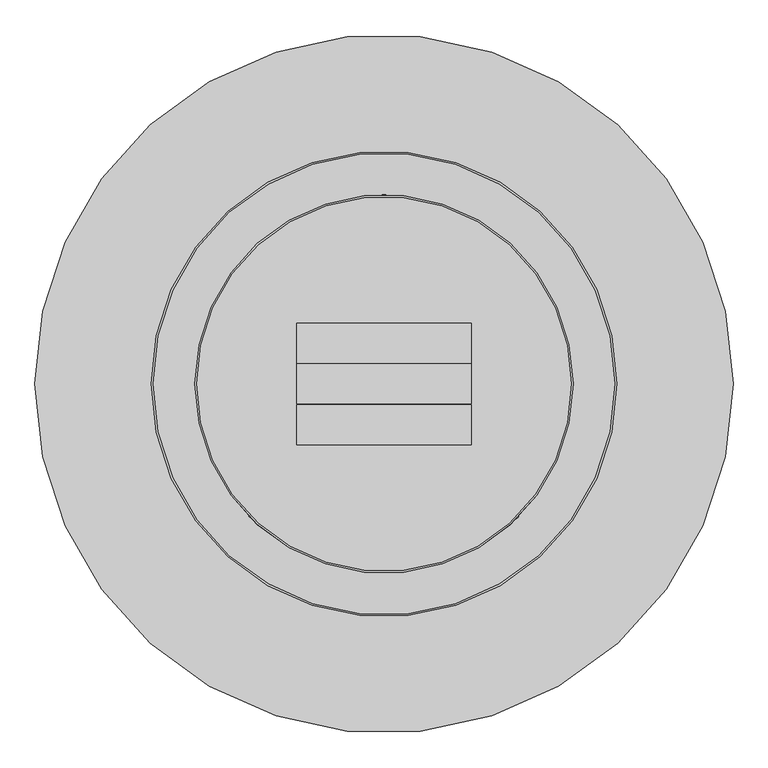
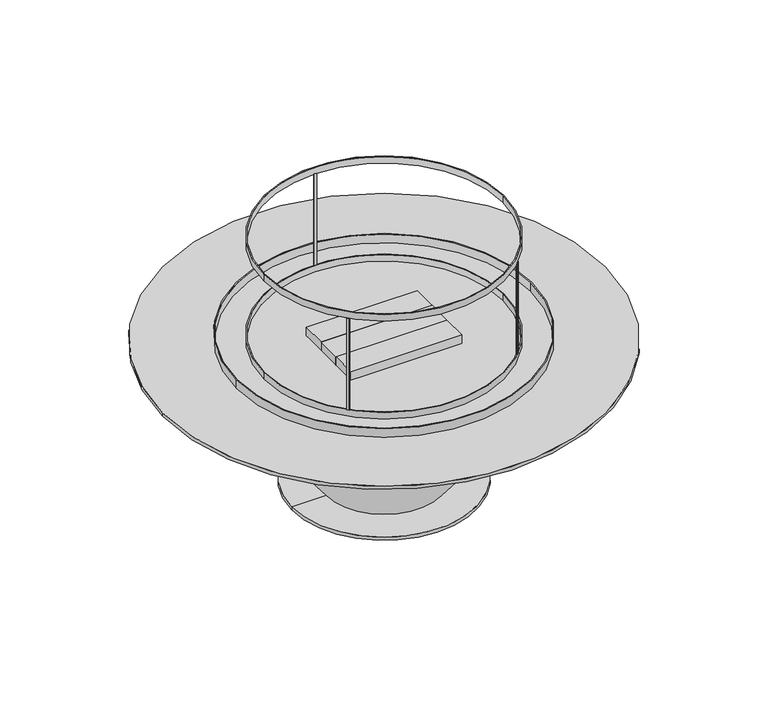
"""IFC4 building model written with IfcOpenShell, lengths in millimetres: proxy geometry."""

from ifc_helpers import new_model, si_unit, point, frame, origin, origin_with_axes, origin_2d, place, context, project, spatial, polyline, circle_curve, trimmed, segment, composite_curve, outline, extrude, source, transform, mapped, element, save
from ifc_brep_helpers import plane_surface, cylinder_surface, revolved_surface, advanced_brep


def generic_models_713de3e0(model_context):
    return source(origin(), model_context, "Body", "SolidModel", [
        extrude(outline(composite_curve([segment(trimmed(circle_curve(origin_2d(), 609.6), [point((-609.6, 0.0))], [point((609.6, 0.0))], False, "CARTESIAN"), True, "CONTINUOUS"), segment(trimmed(circle_curve(origin_2d(), 609.6), [point((609.6, 0.0))], [point((-609.6, 0.0))], False, "CARTESIAN"), True, "CONTINUOUS")], self_intersect=False)), frame((0.0, 0.0, 396.875), z_axis=(0.0, 0.0, 1.0), x_axis=(1.0, 0.0, 0.0)), (0.0, 0.0, 1.0), 9.525),
        advanced_brep(
        [(457.2, 0.0, 396.875), (-457.2, 0.0, 396.875), (-254.0, 0.0, 0.0), (254.0, 0.0, 0.0), (-254.0, 0.0, 9.525), (-159.7152, 0.0, 9.525), (159.7152, 0.0, 9.525), (254.0, 0.0, 9.525)],
        [
            (0, 1, circle_curve(frame((0.0, 0.0, 396.875), z_axis=(0.0, 0.0, 1.0), x_axis=(1.0, 0.0, 0.0)), 457.2)),
            (1, 0, circle_curve(frame((0.0, 0.0, 396.875), z_axis=(0.0, 0.0, 1.0), x_axis=(1.0, 0.0, 0.0)), 457.2)),
            (2, 3, circle_curve(frame((0.0, 0.0, 0.0), z_axis=(0.0, 0.0, -1.0), x_axis=(1.0, 0.0, 0.0)), 254.0)),
            (3, 2, circle_curve(frame((0.0, 0.0, 0.0), z_axis=(0.0, 0.0, -1.0), x_axis=(1.0, 0.0, 0.0)), 254.0)),
            (4, 5),
            (5, 6, circle_curve(frame((0.0, 0.0, 9.525), z_axis=(0.0, 0.0, -1.0), x_axis=(1.0, 0.0, 0.0)), 159.7152)),
            (6, 7),
            (7, 4, circle_curve(frame((0.0, 0.0, 9.525), z_axis=(0.0, 0.0, 1.0), x_axis=(1.0, 0.0, 0.0)), 254.0)),
            (4, 7, circle_curve(frame((0.0, 0.0, 9.525), z_axis=(0.0, 0.0, 1.0), x_axis=(1.0, 0.0, 0.0)), 254.0)),
            (6, 5, circle_curve(frame((0.0, 0.0, 9.525), z_axis=(0.0, 0.0, -1.0), x_axis=(1.0, 0.0, 0.0)), 159.7152)),
            (7, 3),
            (2, 4),
            (5, 1),
            (0, 6),
        ],
        [
            plane_surface(frame((457.2, 0.0, 396.875), z_axis=(0.0, 0.0, 1.0), x_axis=(0.0, 1.0, 0.0))),
            plane_surface(frame((457.2, 0.0, 0.0), z_axis=(0.0, 0.0, -1.0), x_axis=(0.0, -1.0, 0.0))),
            plane_surface(frame((0.0, 0.0, 9.525), z_axis=(0.0, 0.0, 1.0), x_axis=(1.0, 0.0, 0.0))),
            cylinder_surface(origin_with_axes(), 254.0),
            revolved_surface(polyline([(159.7152, 0.0, 9.525), (457.2, 0.0, 396.875)]), (0.0, 0.0, 0.0), (0.0, 0.0, 1.0)),
        ],
        [
            (0, [[1, 2]]),
            (1, [[3, 4]]),
            (2, [[5, 6, 7, 8]]),
            (2, [[-5, 9, -7, 10]]),
            (3, [[-8, 11, -3, 12]]),
            (3, [[-9, -12, -4, -11]]),
            (4, [[-6, 13, -1, 14]]),
            (4, [[-10, -14, -2, -13]]),
        ],
    ),
        extrude(outline(composite_curve([segment(trimmed(circle_curve(origin_2d(), 330.2), [point((-3.175, 330.1847352))], [point((3.175, 330.1847352))], False, "CARTESIAN"), True, "CONTINUOUS"), segment(polyline([(3.175, 330.1847352), (3.175, 327.009587)]), True, "CONTINUOUS"), segment(trimmed(circle_curve(origin_2d(), 327.025), [point((3.175, 327.009587))], [point((-3.175, 327.009587))], True, "CARTESIAN"), True, "CONTINUOUS"), segment(polyline([(-3.175, 327.009587), (-3.175, 330.1847352)]), True, "CONTINUOUS")], self_intersect=False)), frame((0.0, 0.0, 425.45), z_axis=(0.0, 0.0, 1.0), x_axis=(1.0, 0.0, 0.0)), (0.0, 0.0, 1.0), 266.7),
        extrude(outline(composite_curve([segment(trimmed(circle_curve(origin_2d(), 330.2), [point((-231.2308013, -235.7209294))], [point((-235.7209294, -231.2308013))], False, "CARTESIAN"), True, "CONTINUOUS"), segment(polyline([(-235.7209294, -231.2308013), (-233.4757605, -228.9856325)]), True, "CONTINUOUS"), segment(trimmed(circle_curve(origin_2d(), 327.025), [point((-233.4757605, -228.9856325))], [point((-228.9856325, -233.4757605))], True, "CARTESIAN"), True, "CONTINUOUS"), segment(polyline([(-228.9856325, -233.4757605), (-231.2308013, -235.7209294)]), True, "CONTINUOUS")], self_intersect=False)), frame((0.0, 0.0, 425.45), z_axis=(0.0, 0.0, 1.0), x_axis=(1.0, 0.0, 0.0)), (0.0, 0.0, 1.0), 266.7),
        extrude(outline(composite_curve([segment(trimmed(circle_curve(origin_2d(), 330.2), [point((235.7209294, -231.2308013))], [point((234.1094289, -232.8622239))], False, "CARTESIAN"), True, "CONTINUOUS"), segment(trimmed(circle_curve(origin_2d(), 330.2), [point((234.1094289, -232.8622239))], [point((231.2308013, -235.7209294))], False, "CARTESIAN"), True, "CONTINUOUS"), segment(polyline([(231.2308013, -235.7209294), (228.9856325, -233.4757605)]), True, "CONTINUOUS"), segment(trimmed(circle_curve(origin_2d(), 327.025), [point((228.9856325, -233.4757605))], [point((231.2415951, -231.2415951))], True, "CARTESIAN"), True, "CONTINUOUS"), segment(trimmed(circle_curve(origin_2d(), 327.025), [point((231.2415951, -231.2415951))], [point((233.4757605, -228.9856325))], True, "CARTESIAN"), True, "CONTINUOUS"), segment(polyline([(233.4757605, -228.9856325), (235.7209294, -231.2308013)]), True, "CONTINUOUS")], self_intersect=False)), frame((0.0, 0.0, 425.45), z_axis=(0.0, 0.0, 1.0), x_axis=(1.0, 0.0, 0.0)), (0.0, 0.0, 1.0), 266.7),
        extrude(outline(composite_curve([segment(trimmed(circle_curve(origin_2d(), 330.2), [point((-330.2, 0.0))], [point((330.2, 0.0))], False, "CARTESIAN"), True, "CONTINUOUS"), segment(trimmed(circle_curve(origin_2d(), 330.2), [point((330.2, 0.0))], [point((-330.2, 0.0))], False, "CARTESIAN"), True, "CONTINUOUS")], self_intersect=False), holes=[composite_curve([segment(trimmed(circle_curve(origin_2d(), 327.025), [point((-327.025, 0.0))], [point((327.025, 0.0))], True, "CARTESIAN"), True, "CONTINUOUS"), segment(trimmed(circle_curve(origin_2d(), 327.025), [point((327.025, 0.0))], [point((-327.025, 0.0))], True, "CARTESIAN"), True, "CONTINUOUS")], self_intersect=False)]), frame((0.0, 0.0, 692.15), z_axis=(0.0, 0.0, 1.0), x_axis=(1.0, 0.0, 0.0)), (0.0, 0.0, 1.0), 19.05),
        extrude(outline(composite_curve([segment(trimmed(circle_curve(origin_2d(), 330.2), [point((-330.2, 0.0))], [point((330.2, 0.0))], False, "CARTESIAN"), True, "CONTINUOUS"), segment(trimmed(circle_curve(origin_2d(), 330.2), [point((330.2, 0.0))], [point((-330.2, 0.0))], False, "CARTESIAN"), True, "CONTINUOUS")], self_intersect=False), holes=[composite_curve([segment(trimmed(circle_curve(origin_2d(), 327.025), [point((-327.025, 0.0))], [point((327.025, 0.0))], True, "CARTESIAN"), True, "CONTINUOUS"), segment(trimmed(circle_curve(origin_2d(), 327.025), [point((327.025, 0.0))], [point((-327.025, 0.0))], True, "CARTESIAN"), True, "CONTINUOUS")], self_intersect=False)]), frame((0.0, 0.0, 406.4), z_axis=(0.0, 0.0, 1.0), x_axis=(1.0, 0.0, 0.0)), (0.0, 0.0, 1.0), 19.05),
        extrude(outline(polyline([(-152.4, -36.449), (152.4, -36.449), (152.4, -106.299), (-152.4, -106.299), (-152.4, -36.449)])), frame((0.0, 0.0, 406.4), z_axis=(0.0, 0.0, 1.0), x_axis=(1.0, 0.0, 0.0)), (0.0, 0.0, 1.0), 25.4),
        extrude(outline(composite_curve([segment(trimmed(circle_curve(origin_2d(), 406.4), [point((-406.4, 0.0))], [point((406.4, 0.0))], False, "CARTESIAN"), True, "CONTINUOUS"), segment(trimmed(circle_curve(origin_2d(), 406.4), [point((406.4, 0.0))], [point((-406.4, 0.0))], False, "CARTESIAN"), True, "CONTINUOUS")], self_intersect=False), holes=[composite_curve([segment(trimmed(circle_curve(origin_2d(), 403.225), [point((-403.225, 0.0))], [point((403.225, 0.0))], True, "CARTESIAN"), True, "CONTINUOUS"), segment(trimmed(circle_curve(origin_2d(), 403.225), [point((403.225, 0.0))], [point((-403.225, 0.0))], True, "CARTESIAN"), True, "CONTINUOUS")], self_intersect=False)]), frame((0.0, 0.0, 406.4), z_axis=(0.0, 0.0, 1.0), x_axis=(1.0, 0.0, 0.0)), (0.0, 0.0, 1.0), 25.4),
        extrude(outline(polyline([(-152.4, 36.449), (-152.4, 106.299), (152.4, 106.299), (152.4, 36.449), (-152.4, 36.449)])), frame((0.0, 0.0, 406.4), z_axis=(0.0, 0.0, 1.0), x_axis=(1.0, 0.0, 0.0)), (0.0, 0.0, 1.0), 25.4),
        extrude(outline(polyline([(-152.4, 34.925), (152.4, 34.925), (152.4, -34.925), (-152.4, -34.925), (-152.4, 34.925)])), frame((0.0, 0.0, 406.4), z_axis=(0.0, 0.0, 1.0), x_axis=(1.0, 0.0, 0.0)), (0.0, 0.0, 1.0), 25.4),
    ])


if __name__ == "__main__":
    model = new_model("IFC4")
    model_context = context("Model", 3, world=origin())
    ifc_project = project(units=[si_unit("LENGTHUNIT", "METRE", prefix="MILLI")], contexts=[model_context])
    site = spatial("IfcSite", under=ifc_project)
    building = spatial("IfcBuilding", under=site)
    placement = place(None, origin())
    generic_models_shape = generic_models_713de3e0(model_context)
    element("IfcBuildingElementProxy", 1, Name="Generic Models", at=placement, inside=building, context=model_context, shape_type="MappedRepresentation", body=[
        mapped(generic_models_shape, transform((0.0, 0.0, 0.0), x_axis=(1.0, 0.0, 0.0), y_axis=(0.0, 1.0, 0.0), z_axis=(0.0, 0.0, 1.0))),
    ])
    save(model, "model.ifc")
